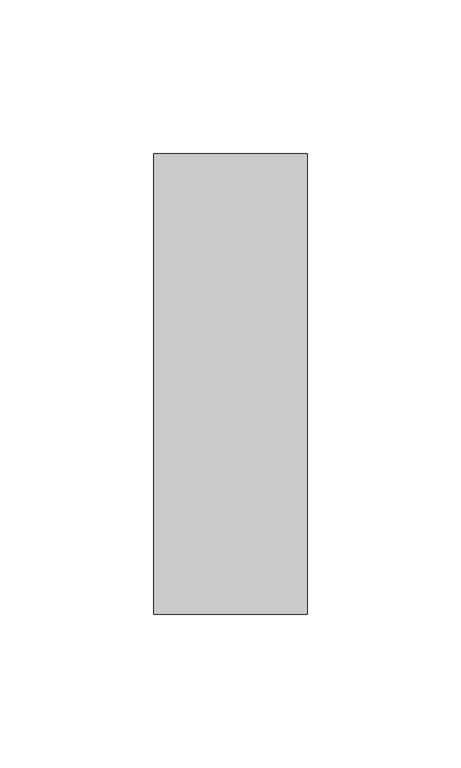
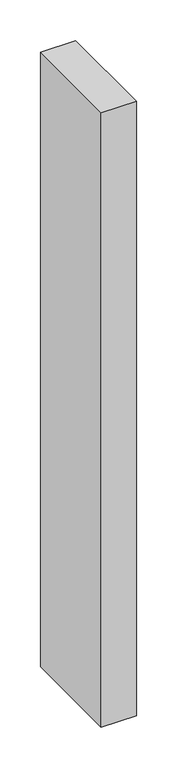
"""IFC4 building model written with IfcOpenShell, lengths in millimetres: member geometry."""

from ifc_helpers import new_model, si_unit, frame, origin, place, context, project, spatial, polyline, outline, extrude, source, transform, mapped, element, save


def member_116cff39(model_context):
    return source(origin(), model_context, "Body", "SweptSolid", [
        extrude(outline(polyline([(25.0, 75.0), (25.0, -75.0), (-25.0, -75.0), (-25.0, 75.0), (25.0, 75.0)])), frame((0.0, 0.0, -925.0), z_axis=(0.0, 0.0, 1.0), x_axis=(1.0, 0.0, 0.0)), (0.0, 0.0, 1.0), 925.0),
    ])


if __name__ == "__main__":
    model = new_model("IFC4")
    model_context = context("Model", 3, world=origin())
    ifc_project = project(units=[si_unit("LENGTHUNIT", "METRE", prefix="MILLI")], contexts=[model_context])
    site = spatial("IfcSite", under=ifc_project)
    building = spatial("IfcBuilding", under=site)
    placement = place(None, origin())
    member_shape = member_116cff39(model_context)
    element("IfcMember", 1, at=placement, inside=building, context=model_context, shape_type="MappedRepresentation", body=[
        mapped(member_shape, transform((0.0, 0.0, 0.0), x_axis=(1.0, 0.0, 0.0), y_axis=(0.0, 1.0, 0.0), z_axis=(0.0, 0.0, 1.0))),
    ])
    save(model, "model.ifc")
